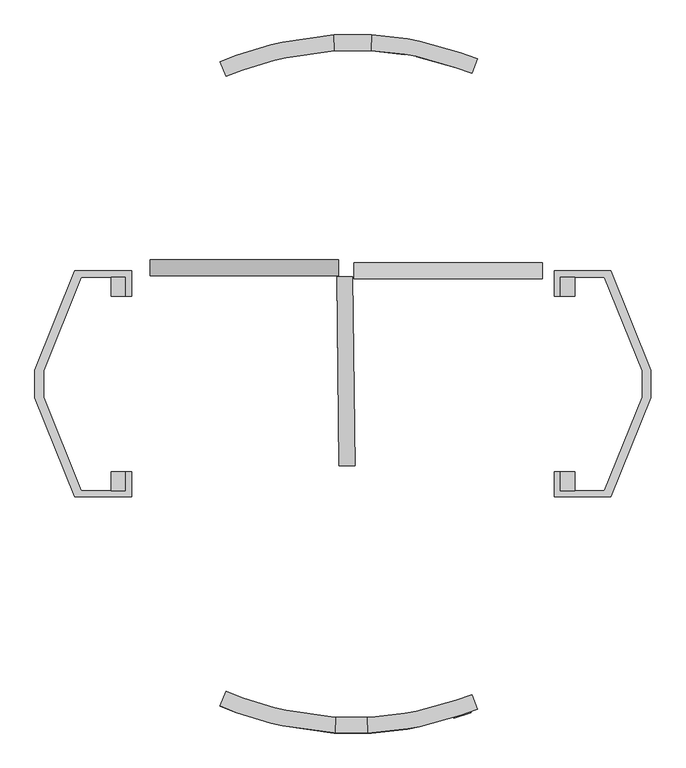
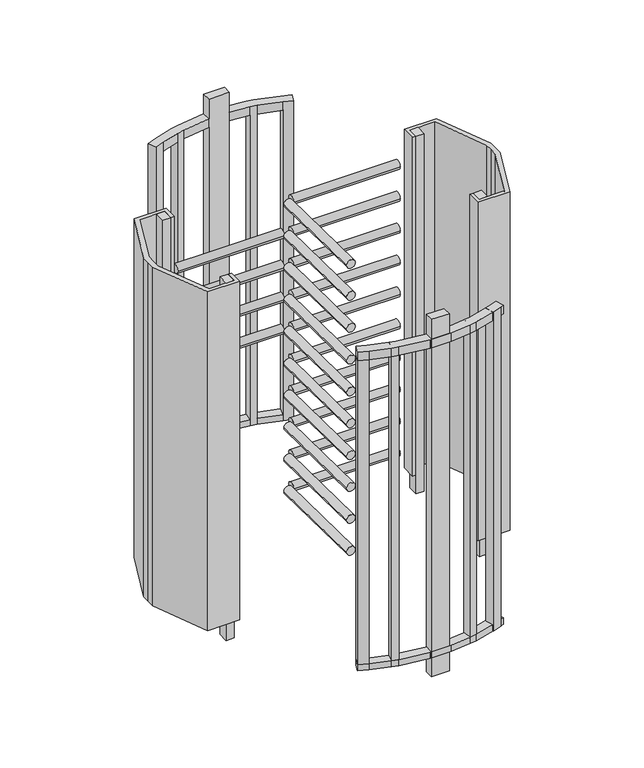
"""IFC4 building model written with IfcOpenShell, lengths in millimetres: proxy geometry."""

from ifc_helpers import new_model, si_unit, point, frame, frame_2d, origin, origin_with_axes, place, context, project, spatial, polyline, circle_curve, trimmed, segment, composite_curve, outline, extrude, faceted_brep, source, transform, mapped, element, save


def generic_models_e2504249(model_context):
    return source(origin(), model_context, "Body", "SolidModel", [
        extrude(outline(composite_curve([segment(trimmed(circle_curve(frame_2d((369.418767, 1174.4880461)), 25.0), [point((344.418767, 1174.4880461))], [point((394.418767, 1174.4880461))], False, "CARTESIAN"), True, "CONTINUOUS"), segment(trimmed(circle_curve(frame_2d((369.418767, 1174.4880461)), 25.0), [point((394.418767, 1174.4880461))], [point((344.418767, 1174.4880461))], False, "CARTESIAN"), True, "CONTINUOUS")], self_intersect=False)), frame((-648.8124932, 0.0, 0.0), z_axis=(1.0, 0.0, 0.0), x_axis=(0.0, 1.0, 0.0)), (0.0, 0.0, 1.0), 600.0),
        extrude(outline(composite_curve([segment(trimmed(circle_curve(frame_2d((369.418767, 1364.4880461)), 25.0), [point((344.418767, 1364.4880461))], [point((394.418767, 1364.4880461))], False, "CARTESIAN"), True, "CONTINUOUS"), segment(trimmed(circle_curve(frame_2d((369.418767, 1364.4880461)), 25.0), [point((394.418767, 1364.4880461))], [point((344.418767, 1364.4880461))], False, "CARTESIAN"), True, "CONTINUOUS")], self_intersect=False)), frame((-648.8124932, 0.0, 0.0), z_axis=(1.0, 0.0, 0.0), x_axis=(0.0, 1.0, 0.0)), (0.0, 0.0, 1.0), 600.0),
        extrude(outline(composite_curve([segment(trimmed(circle_curve(frame_2d((369.418767, 1554.4880461)), 25.0), [point((344.418767, 1554.4880461))], [point((394.418767, 1554.4880461))], False, "CARTESIAN"), True, "CONTINUOUS"), segment(trimmed(circle_curve(frame_2d((369.418767, 1554.4880461)), 25.0), [point((394.418767, 1554.4880461))], [point((344.418767, 1554.4880461))], False, "CARTESIAN"), True, "CONTINUOUS")], self_intersect=False)), frame((-648.8124932, 0.0, 0.0), z_axis=(1.0, 0.0, 0.0), x_axis=(0.0, 1.0, 0.0)), (0.0, 0.0, 1.0), 600.0),
        extrude(outline(composite_curve([segment(trimmed(circle_curve(frame_2d((369.418767, 1744.4880461)), 25.0), [point((344.418767, 1744.4880461))], [point((394.418767, 1744.4880461))], False, "CARTESIAN"), True, "CONTINUOUS"), segment(trimmed(circle_curve(frame_2d((369.418767, 1744.4880461)), 25.0), [point((394.418767, 1744.4880461))], [point((344.418767, 1744.4880461))], False, "CARTESIAN"), True, "CONTINUOUS")], self_intersect=False)), frame((-648.8124932, 0.0, 0.0), z_axis=(1.0, 0.0, 0.0), x_axis=(0.0, 1.0, 0.0)), (0.0, 0.0, 1.0), 600.0),
        extrude(outline(composite_curve([segment(trimmed(circle_curve(frame_2d((0.0, -25.0)), 25.0), [point((0.0, -49.9999999))], [point((0.0, 0.0))], False, "CARTESIAN"), True, "CONTINUOUS"), segment(trimmed(circle_curve(frame_2d((0.0, -25.0)), 25.0), [point((0.0, 0.0))], [point((0.0, -49.9999999))], False, "CARTESIAN"), True, "CONTINUOUS")], self_intersect=False)), frame((-46.5994962, -260.0091674, 224.4880461), z_axis=(-0.012033804423546846, 0.9999275911540274, 0.0), x_axis=(0.0, 0.0, -1.0)), (0.0, 0.0, 1.0), 600.0),
        extrude(outline(composite_curve([segment(trimmed(circle_curve(frame_2d((0.0, -25.0)), 25.0), [point((0.0, -49.9999999))], [point((0.0, 0.0))], False, "CARTESIAN"), True, "CONTINUOUS"), segment(trimmed(circle_curve(frame_2d((0.0, -25.0)), 25.0), [point((0.0, 0.0))], [point((0.0, -49.9999999))], False, "CARTESIAN"), True, "CONTINUOUS")], self_intersect=False)), frame((-46.5994962, -260.0091674, 414.4880461), z_axis=(-0.012033804423546846, 0.9999275911540274, 0.0), x_axis=(0.0, 0.0, -1.0)), (0.0, 0.0, 1.0), 600.0),
        extrude(outline(composite_curve([segment(trimmed(circle_curve(frame_2d((0.0, -25.0)), 25.0), [point((0.0, -49.9999999))], [point((0.0, 0.0))], False, "CARTESIAN"), True, "CONTINUOUS"), segment(trimmed(circle_curve(frame_2d((0.0, -25.0)), 25.0), [point((0.0, 0.0))], [point((0.0, -49.9999999))], False, "CARTESIAN"), True, "CONTINUOUS")], self_intersect=False)), frame((-46.5994962, -260.0091674, 1934.4880461), z_axis=(-0.012033804423546846, 0.9999275911540274, 0.0), x_axis=(0.0, 0.0, -1.0)), (0.0, 0.0, 1.0), 600.0),
        extrude(outline(composite_curve([segment(trimmed(circle_curve(frame_2d((0.0, -25.0)), 25.0), [point((0.0, -49.9999999))], [point((0.0, 0.0))], False, "CARTESIAN"), True, "CONTINUOUS"), segment(trimmed(circle_curve(frame_2d((0.0, -25.0)), 25.0), [point((0.0, 0.0))], [point((0.0, -49.9999999))], False, "CARTESIAN"), True, "CONTINUOUS")], self_intersect=False)), frame((-46.5994962, -260.0091674, 604.4880461), z_axis=(-0.012033804423546846, 0.9999275911540274, 0.0), x_axis=(0.0, 0.0, -1.0)), (0.0, 0.0, 1.0), 600.0),
        extrude(outline(composite_curve([segment(trimmed(circle_curve(frame_2d((0.0, -25.0)), 25.0), [point((0.0, -49.9999999))], [point((0.0, 0.0))], False, "CARTESIAN"), True, "CONTINUOUS"), segment(trimmed(circle_curve(frame_2d((0.0, -25.0)), 25.0), [point((0.0, 0.0))], [point((0.0, -49.9999999))], False, "CARTESIAN"), True, "CONTINUOUS")], self_intersect=False)), frame((-46.5994962, -260.0091674, 794.4880461), z_axis=(-0.012033804423546846, 0.9999275911540274, 0.0), x_axis=(0.0, 0.0, -1.0)), (0.0, 0.0, 1.0), 600.0),
        extrude(outline(composite_curve([segment(trimmed(circle_curve(frame_2d((0.0, -25.0)), 25.0), [point((0.0, -49.9999999))], [point((0.0, 0.0))], False, "CARTESIAN"), True, "CONTINUOUS"), segment(trimmed(circle_curve(frame_2d((0.0, -25.0)), 25.0), [point((0.0, 0.0))], [point((0.0, -49.9999999))], False, "CARTESIAN"), True, "CONTINUOUS")], self_intersect=False)), frame((-46.5994962, -260.0091674, 984.4880461), z_axis=(-0.012033804423546846, 0.9999275911540274, 0.0), x_axis=(0.0, 0.0, -1.0)), (0.0, 0.0, 1.0), 600.0),
        extrude(outline(composite_curve([segment(trimmed(circle_curve(frame_2d((0.0, -25.0)), 25.0), [point((0.0, -49.9999999))], [point((0.0, 0.0))], False, "CARTESIAN"), True, "CONTINUOUS"), segment(trimmed(circle_curve(frame_2d((0.0, -25.0)), 25.0), [point((0.0, 0.0))], [point((0.0, -49.9999999))], False, "CARTESIAN"), True, "CONTINUOUS")], self_intersect=False)), frame((-46.5994962, -260.0091674, 1174.4880461), z_axis=(-0.012033804423546846, 0.9999275911540274, 0.0), x_axis=(0.0, 0.0, -1.0)), (0.0, 0.0, 1.0), 600.0),
        extrude(outline(composite_curve([segment(trimmed(circle_curve(frame_2d((0.0, -25.0)), 25.0), [point((0.0, -49.9999999))], [point((0.0, 0.0))], False, "CARTESIAN"), True, "CONTINUOUS"), segment(trimmed(circle_curve(frame_2d((0.0, -25.0)), 25.0), [point((0.0, 0.0))], [point((0.0, -49.9999999))], False, "CARTESIAN"), True, "CONTINUOUS")], self_intersect=False)), frame((-46.5994962, -260.0091674, 1364.4880461), z_axis=(-0.012033804423546846, 0.9999275911540274, 0.0), x_axis=(0.0, 0.0, -1.0)), (0.0, 0.0, 1.0), 600.0),
        extrude(outline(composite_curve([segment(trimmed(circle_curve(frame_2d((0.0, -25.0)), 25.0), [point((0.0, -49.9999999))], [point((0.0, 0.0))], False, "CARTESIAN"), True, "CONTINUOUS"), segment(trimmed(circle_curve(frame_2d((0.0, -25.0)), 25.0), [point((0.0, 0.0))], [point((0.0, -49.9999999))], False, "CARTESIAN"), True, "CONTINUOUS")], self_intersect=False)), frame((-46.5994962, -260.0091674, 1554.4880461), z_axis=(-0.012033804423546846, 0.9999275911540274, 0.0), x_axis=(0.0, 0.0, -1.0)), (0.0, 0.0, 1.0), 600.0),
        extrude(outline(composite_curve([segment(trimmed(circle_curve(frame_2d((0.0, -25.0)), 25.0), [point((0.0, -49.9999999))], [point((0.0, 0.0))], False, "CARTESIAN"), True, "CONTINUOUS"), segment(trimmed(circle_curve(frame_2d((0.0, -25.0)), 25.0), [point((0.0, 0.0))], [point((0.0, -49.9999999))], False, "CARTESIAN"), True, "CONTINUOUS")], self_intersect=False)), frame((-46.5994962, -260.0091674, 1744.4880461), z_axis=(-0.012033804423546846, 0.9999275911540274, 0.0), x_axis=(0.0, 0.0, -1.0)), (0.0, 0.0, 1.0), 600.0),
        extrude(outline(composite_curve([segment(trimmed(circle_curve(frame_2d((360.0, 224.4880461)), 25.0), [point((385.0, 224.4880461))], [point((335.0, 224.4880461))], False, "CARTESIAN"), True, "CONTINUOUS"), segment(trimmed(circle_curve(frame_2d((360.0, 224.4880461)), 25.0), [point((335.0, 224.4880461))], [point((385.0, 224.4880461))], False, "CARTESIAN"), True, "CONTINUOUS")], self_intersect=False)), frame((0.0, 0.0, 0.0), z_axis=(1.0, 0.0, 0.0), x_axis=(0.0, 1.0, 0.0)), (0.0, 0.0, 1.0), 600.0),
        extrude(outline(composite_curve([segment(trimmed(circle_curve(frame_2d((360.0, 414.4880461)), 25.0), [point((385.0, 414.4880461))], [point((335.0, 414.4880461))], False, "CARTESIAN"), True, "CONTINUOUS"), segment(trimmed(circle_curve(frame_2d((360.0, 414.4880461)), 25.0), [point((335.0, 414.4880461))], [point((385.0, 414.4880461))], False, "CARTESIAN"), True, "CONTINUOUS")], self_intersect=False)), frame((0.0, 0.0, 0.0), z_axis=(1.0, 0.0, 0.0), x_axis=(0.0, 1.0, 0.0)), (0.0, 0.0, 1.0), 600.0),
        extrude(outline(composite_curve([segment(trimmed(circle_curve(frame_2d((360.0, 1934.4880461)), 25.0), [point((385.0, 1934.4880461))], [point((335.0, 1934.4880461))], False, "CARTESIAN"), True, "CONTINUOUS"), segment(trimmed(circle_curve(frame_2d((360.0, 1934.4880461)), 25.0), [point((335.0, 1934.4880461))], [point((385.0, 1934.4880461))], False, "CARTESIAN"), True, "CONTINUOUS")], self_intersect=False)), frame((0.0, 0.0, 0.0), z_axis=(1.0, 0.0, 0.0), x_axis=(0.0, 1.0, 0.0)), (0.0, 0.0, 1.0), 600.0),
        extrude(outline(composite_curve([segment(trimmed(circle_curve(frame_2d((360.0, 604.4880461)), 25.0), [point((385.0, 604.4880461))], [point((335.0, 604.4880461))], False, "CARTESIAN"), True, "CONTINUOUS"), segment(trimmed(circle_curve(frame_2d((360.0, 604.4880461)), 25.0), [point((335.0, 604.4880461))], [point((385.0, 604.4880461))], False, "CARTESIAN"), True, "CONTINUOUS")], self_intersect=False)), frame((0.0, 0.0, 0.0), z_axis=(1.0, 0.0, 0.0), x_axis=(0.0, 1.0, 0.0)), (0.0, 0.0, 1.0), 600.0),
        extrude(outline(composite_curve([segment(trimmed(circle_curve(frame_2d((360.0, 794.4880461)), 25.0), [point((385.0, 794.4880461))], [point((335.0, 794.4880461))], False, "CARTESIAN"), True, "CONTINUOUS"), segment(trimmed(circle_curve(frame_2d((360.0, 794.4880461)), 25.0), [point((335.0, 794.4880461))], [point((385.0, 794.4880461))], False, "CARTESIAN"), True, "CONTINUOUS")], self_intersect=False)), frame((0.0, 0.0, 0.0), z_axis=(1.0, 0.0, 0.0), x_axis=(0.0, 1.0, 0.0)), (0.0, 0.0, 1.0), 600.0),
        extrude(outline(composite_curve([segment(trimmed(circle_curve(frame_2d((360.0, 984.4880461)), 25.0), [point((385.0, 984.4880461))], [point((335.0, 984.4880461))], False, "CARTESIAN"), True, "CONTINUOUS"), segment(trimmed(circle_curve(frame_2d((360.0, 984.4880461)), 25.0), [point((335.0, 984.4880461))], [point((385.0, 984.4880461))], False, "CARTESIAN"), True, "CONTINUOUS")], self_intersect=False)), frame((0.0, 0.0, 0.0), z_axis=(1.0, 0.0, 0.0), x_axis=(0.0, 1.0, 0.0)), (0.0, 0.0, 1.0), 600.0),
        extrude(outline(composite_curve([segment(trimmed(circle_curve(frame_2d((360.0, 1174.4880461)), 25.0), [point((385.0, 1174.4880461))], [point((335.0, 1174.4880461))], False, "CARTESIAN"), True, "CONTINUOUS"), segment(trimmed(circle_curve(frame_2d((360.0, 1174.4880461)), 25.0), [point((335.0, 1174.4880461))], [point((385.0, 1174.4880461))], False, "CARTESIAN"), True, "CONTINUOUS")], self_intersect=False)), frame((0.0, 0.0, 0.0), z_axis=(1.0, 0.0, 0.0), x_axis=(0.0, 1.0, 0.0)), (0.0, 0.0, 1.0), 600.0),
        extrude(outline(composite_curve([segment(trimmed(circle_curve(frame_2d((360.0, 1364.4880461)), 25.0), [point((385.0, 1364.4880461))], [point((335.0, 1364.4880461))], False, "CARTESIAN"), True, "CONTINUOUS"), segment(trimmed(circle_curve(frame_2d((360.0, 1364.4880461)), 25.0), [point((335.0, 1364.4880461))], [point((385.0, 1364.4880461))], False, "CARTESIAN"), True, "CONTINUOUS")], self_intersect=False)), frame((0.0, 0.0, 0.0), z_axis=(1.0, 0.0, 0.0), x_axis=(0.0, 1.0, 0.0)), (0.0, 0.0, 1.0), 600.0),
        extrude(outline(composite_curve([segment(trimmed(circle_curve(frame_2d((360.0, 1554.4880461)), 25.0), [point((385.0, 1554.4880461))], [point((335.0, 1554.4880461))], False, "CARTESIAN"), True, "CONTINUOUS"), segment(trimmed(circle_curve(frame_2d((360.0, 1554.4880461)), 25.0), [point((335.0, 1554.4880461))], [point((385.0, 1554.4880461))], False, "CARTESIAN"), True, "CONTINUOUS")], self_intersect=False)), frame((0.0, 0.0, 0.0), z_axis=(1.0, 0.0, 0.0), x_axis=(0.0, 1.0, 0.0)), (0.0, 0.0, 1.0), 600.0),
        extrude(outline(composite_curve([segment(trimmed(circle_curve(frame_2d((360.0, 1744.4880461)), 25.0), [point((385.0, 1744.4880461))], [point((335.0, 1744.4880461))], False, "CARTESIAN"), True, "CONTINUOUS"), segment(trimmed(circle_curve(frame_2d((360.0, 1744.4880461)), 25.0), [point((335.0, 1744.4880461))], [point((385.0, 1744.4880461))], False, "CARTESIAN"), True, "CONTINUOUS")], self_intersect=False)), frame((0.0, 0.0, 0.0), z_axis=(1.0, 0.0, 0.0), x_axis=(0.0, 1.0, 0.0)), (0.0, 0.0, 1.0), 600.0),
        extrude(outline(polyline([(-372.8019562, -1044.2649567), (-425.8969301, -1023.3502903), (-406.3603736, -977.3250476), (-355.7009491, -997.2803256), (-251.5987714, -1029.1075553), (-216.2281585, -1037.2735048), (-61.2954766, -1059.3664601), (53.7954766, -1059.3664601), (162.6918436, -1047.1958742), (198.4413552, -1040.8922708), (324.0665729, -1004.5569462), (375.7009491, -987.2803256), (392.8019562, -1034.2649567), (338.6851581, -1052.372184), (207.981805, -1089.97363), (170.5135669, -1096.5802912), (55.5404514, -1109.3360015), (-63.0404514, -1109.3360015), (-226.623743, -1086.1808848), (-263.6948662, -1077.6223416), (-372.8019562, -1044.2649567)])), frame((0.0, 0.0, 1962.1602924), z_axis=(0.0, 0.0, 1.0), x_axis=(1.0, 0.0, 0.0)), (0.0, 0.0, 1.0), 51.0599251),
        extrude(outline(polyline([(-372.8019562, -1044.2649567), (-425.8969301, -1023.3502903), (-406.3603736, -977.3250476), (-355.7009491, -997.2803256), (-251.5987714, -1029.1075553), (-216.2281585, -1037.2735048), (-61.2954766, -1059.3664601), (53.7954766, -1059.3664601), (162.6918436, -1047.1958742), (198.4413552, -1040.8922708), (324.0665729, -1004.5569462), (375.7009491, -987.2803256), (392.8019562, -1034.2649567), (338.6851581, -1052.372184), (207.981805, -1089.97363), (170.5135669, -1096.5802912), (55.5404514, -1109.3360015), (-63.0404514, -1109.3360015), (-226.623743, -1086.1808848), (-263.6948662, -1077.6223416), (-372.8019562, -1044.2649567)])), frame((0.0, 0.0, 112.1203859), z_axis=(0.0, 0.0, 1.0), x_axis=(1.0, 0.0, 0.0)), (0.0, 0.0, 1.0), 36.5048128),
        faceted_brep([(-355.7009491, 997.2803256, 148.6251987), (-251.5987714, 1029.1075553, 148.6251987), (-263.6948662, 1077.6223416, 148.6251987), (-372.8019562, 1044.2649567, 148.6251987), (-216.2281585, 1037.2735048, 148.6251987), (-61.2954766, 1059.3664601, 148.6251987), (-63.0404514, 1109.3360015, 148.6251987), (-226.623743, 1086.1808848, 148.6251987), (53.7954766, 1059.3664601, 148.6251987), (162.6918436, 1047.1958742, 148.6251987), (170.5135669, 1096.5802912, 148.6251987), (55.5404514, 1109.3360015, 148.6251987), (198.4413552, 1040.8922708, 148.6251987), (324.0665729, 1004.5569462, 148.6251987), (338.6851581, 1052.372184, 148.6251987), (207.981805, 1089.97363, 148.6251987), (-372.8019562, 1044.2649567, 112.1203859), (-263.6948662, 1077.6223416, 112.1203859), (-226.623743, 1086.1808848, 112.1203859), (-63.0404514, 1109.3360015, 112.1203859), (-61.2954766, 1059.3664601, 112.1203859), (-216.2281585, 1037.2735048, 112.1203859), (-251.5987714, 1029.1075553, 112.1203859), (-355.7009491, 997.2803256, 112.1203859), (-406.3603736, 977.3250476, 112.1203859), (-425.8969301, 1023.3502903, 112.1203859), (55.5404514, 1109.3360015, 112.1203859), (170.5135669, 1096.5802912, 112.1203859), (207.981805, 1089.97363, 112.1203859), (338.6851581, 1052.372184, 112.1203859), (392.8019562, 1034.2649567, 112.1203859), (375.7009491, 987.2803256, 112.1203859), (324.0665729, 1004.5569462, 112.1203859), (198.4413552, 1040.8922708, 112.1203859), (162.6918436, 1047.1958742, 112.1203859), (53.7954766, 1059.3664601, 112.1203859), (-425.8969301, 1023.3502903, 1962.1602924), (-425.8969301, 1023.3502903, 2013.2202175), (-372.8019562, 1044.2649567, 2013.2202175), (-372.8019562, 1044.2649567, 1962.1602924), (-406.3603736, 977.3250476, 1962.1602924), (-406.3603736, 977.3250476, 2013.2202175), (-355.7009491, 997.2803256, 1962.1602924), (-355.7009491, 997.2803256, 2013.2202175), (-216.2281585, 1037.2735048, 1962.1602924), (-216.2281585, 1037.2735048, 2013.2202175), (-251.5987714, 1029.1075553, 2013.2202175), (-251.5987714, 1029.1075553, 1962.1602924), (-61.2954766, 1059.3664601, 0.0), (53.7954766, 1059.3664601, 0.0), (53.7954766, 1059.3664601, 1962.1602924), (53.7954766, 1059.3664601, 2013.2202175), (53.7954766, 1059.3664601, 2131.1831142), (-61.2954766, 1059.3664601, 2131.1831142), (-61.2954766, 1059.3664601, 2013.2202175), (-61.2954766, 1059.3664601, 1962.1602924), (198.4413552, 1040.8922708, 1962.1602924), (198.4413552, 1040.8922708, 2013.2202175), (162.6918436, 1047.1958742, 2013.2202175), (162.6918436, 1047.1958742, 1962.1602924), (375.7009491, 987.2803256, 1962.1602924), (375.7009491, 987.2803256, 2013.2202175), (324.0665729, 1004.5569462, 2013.2202175), (324.0665729, 1004.5569462, 1962.1602924), (392.8019562, 1034.2649567, 1962.1602924), (392.8019562, 1034.2649567, 2013.2202175), (338.6851581, 1052.372184, 1962.1602924), (338.6851581, 1052.372184, 2013.2202175), (170.5135669, 1096.5802912, 1962.1602924), (170.5135669, 1096.5802912, 2013.2202175), (207.981805, 1089.97363, 2013.2202175), (207.981805, 1089.97363, 1962.1602924), (55.5404514, 1109.3360015, 0.0), (-63.0404514, 1109.3360015, 0.0), (-63.0404514, 1109.3360015, 1962.1602924), (-63.0404514, 1109.3360015, 2013.2202175), (-63.0404514, 1109.3360015, 2131.1831142), (55.5404514, 1109.3360015, 2131.1831142), (55.5404514, 1109.3360015, 2013.2202175), (55.5404514, 1109.3360015, 1962.1602924), (-263.6948662, 1077.6223416, 1962.1602924), (-263.6948662, 1077.6223416, 2013.2202175), (-226.623743, 1086.1808848, 2013.2202175), (-226.623743, 1086.1808848, 1962.1602924)], [[[0, 1, 2, 3]], [[4, 5, 6, 7]], [[8, 9, 10, 11]], [[12, 13, 14, 15]], [[16, 17, 18, 19, 20, 21, 22, 23, 24, 25]], [[26, 27, 28, 29, 30, 31, 32, 33, 34, 35]], [[16, 25, 36, 37, 38, 39, 3]], [[25, 24, 40, 41, 37, 36]], [[24, 23, 0, 42, 43, 41, 40]], [[1, 0, 23, 22]], [[22, 21, 4, 44, 45, 46, 47, 1]], [[5, 4, 21, 20]], [[5, 20, 48, 49, 35, 8, 50, 51, 52, 53, 54, 55]], [[9, 8, 35, 34]], [[34, 33, 12, 56, 57, 58, 59, 9]], [[13, 12, 33, 32]], [[32, 31, 60, 61, 62, 63, 13]], [[31, 30, 64, 65, 61, 60]], [[30, 29, 14, 66, 67, 65, 64]], [[15, 14, 29, 28]], [[28, 27, 10, 68, 69, 70, 71, 15]], [[11, 10, 27, 26]], [[11, 26, 72, 73, 19, 6, 74, 75, 76, 77, 78, 79]], [[7, 6, 19, 18]], [[18, 17, 2, 80, 81, 82, 83, 7]], [[3, 2, 17, 16]], [[76, 53, 52, 77]], [[73, 72, 49, 48]], [[6, 5, 55, 74]], [[53, 76, 75, 54]], [[73, 48, 20, 19]], [[8, 11, 79, 50]], [[77, 52, 51, 78]], [[49, 72, 26, 35]], [[37, 41, 43, 46, 45, 54, 75, 82, 81, 38]], [[65, 67, 70, 69, 78, 51, 58, 57, 62, 61]], [[0, 3, 39, 42]], [[2, 1, 47, 80]], [[4, 7, 83, 44]], [[14, 13, 63, 66]], [[10, 9, 59, 68]], [[12, 15, 71, 56]], [[39, 80, 47, 42]], [[83, 74, 55, 44]], [[79, 68, 59, 50]], [[71, 66, 63, 56]], [[46, 43, 42, 47]], [[54, 45, 44, 55]], [[58, 51, 50, 59]], [[62, 57, 56, 63]], [[70, 67, 66, 71]], [[78, 69, 68, 79]], [[82, 75, 74, 83]], [[38, 81, 80, 39]]]),
        faceted_brep([(-58.0404514, -1109.3360015, 2131.1831142), (43.0404514, -1109.3360015, 2131.1831142), (41.2954766, -1059.3664601, 2131.1831142), (-56.2954766, -1059.3664601, 2131.1831142), (-58.0404514, -1109.3360015, 0.0), (-56.2954766, -1059.3664601, 0.0), (41.2954766, -1059.3664601, 0.0), (43.0404514, -1109.3360015, 0.0), (-58.0404514, -1109.3360015, 2013.2202175), (-58.0404514, -1109.3360015, 112.1203859), (43.0404514, -1109.3360015, 112.1203859), (43.0404514, -1109.3360015, 2013.2202175), (41.2954766, -1059.3664601, 112.1203859), (41.2954766, -1059.3664601, 2013.2202175), (-56.2954766, -1059.3664601, 112.1203859), (-56.2954766, -1059.3664601, 2013.2202175)], [[[0, 1, 2, 3]], [[4, 5, 6, 7]], [[1, 0, 8, 9, 4, 7, 10, 11]], [[2, 1, 11, 10, 7, 6, 12, 13]], [[3, 2, 13, 12, 6, 5, 14, 15]], [[0, 3, 15, 14, 5, 4, 9, 8]]]),
        faceted_brep([(-425.8969301, -1023.3502903, 2013.2202175), (-372.8019562, -1044.2649567, 2013.2202175), (-355.7009491, -997.2803256, 2013.2202175), (-406.3603736, -977.3250476, 2013.2202175), (-425.8969301, -1023.3502903, 112.1203859), (-406.3603736, -977.3250476, 112.1203859), (-355.7009491, -997.2803256, 112.1203859), (-372.8019562, -1044.2649567, 112.1203859)], [[[0, 1, 2, 3]], [[4, 5, 6, 7]], [[1, 0, 4, 7]], [[2, 1, 7, 6]], [[3, 2, 6, 5]], [[0, 3, 5, 4]]]),
        faceted_brep([(-263.6948662, -1077.6223416, 2013.2202175), (-226.623743, -1086.1808848, 2013.2202175), (-216.2281585, -1037.2735048, 2013.2202175), (-251.5987714, -1029.1075553, 2013.2202175), (-263.6948662, -1077.6223416, 112.1203859), (-251.5987714, -1029.1075553, 112.1203859), (-216.2281585, -1037.2735048, 112.1203859), (-226.623743, -1086.1808848, 112.1203859)], [[[0, 1, 2, 3]], [[4, 5, 6, 7]], [[1, 0, 4, 7]], [[2, 1, 7, 6]], [[3, 2, 6, 5]], [[0, 3, 5, 4]]]),
        faceted_brep([(372.8019562, -1044.2649567, 2013.2202175), (355.7009491, -997.2803256, 2013.2202175), (304.0665729, -1014.5569462, 2013.2202175), (318.6851581, -1062.372184, 2013.2202175), (372.8019562, -1044.2649567, 112.1203859), (318.6851581, -1062.372184, 112.1203859), (304.0665729, -1014.5569462, 112.1203859), (355.7009491, -997.2803256, 112.1203859)], [[[0, 1, 2, 3]], [[4, 5, 6, 7]], [[1, 0, 4, 7]], [[2, 1, 7, 6]], [[3, 2, 6, 5]], [[0, 3, 5, 4]]]),
        faceted_brep([(207.981805, -1089.97363, 2013.2202175), (198.4413552, -1040.8922708, 2013.2202175), (162.6918436, -1047.1958742, 2013.2202175), (170.5135669, -1096.5802912, 2013.2202175), (207.981805, -1089.97363, 112.1203859), (170.5135669, -1096.5802912, 112.1203859), (162.6918436, -1047.1958742, 112.1203859), (198.4413552, -1040.8922708, 112.1203859)], [[[0, 1, 2, 3]], [[4, 5, 6, 7]], [[1, 0, 4, 7]], [[2, 1, 7, 6]], [[3, 2, 6, 5]], [[0, 3, 5, 4]]]),
        extrude(outline(polyline([(702.2742878, 339.236994), (702.2742878, 279.236994), (657.2742878, 279.236994), (657.2742878, 339.236994), (702.2742878, 339.236994)])), origin_with_axes(), (0.0, 0.0, 1.0), 2131.1831142),
        extrude(outline(polyline([(702.2742878, -279.236994), (702.2742878, -339.236994), (657.2742878, -339.236994), (657.2742878, -279.236994), (702.2742878, -279.236994)])), origin_with_axes(), (0.0, 0.0, 1.0), 2131.1831142),
        extrude(outline(polyline([(-772.2742878, 339.236994), (-727.2742878, 339.236994), (-727.2742878, 279.236994), (-772.2742878, 279.236994), (-772.2742878, 339.236994)])), origin_with_axes(), (0.0, 0.0, 1.0), 2131.1831142),
        extrude(outline(polyline([(-772.2742878, -279.236994), (-727.2742878, -279.236994), (-727.2742878, -339.236994), (-772.2742878, -339.236994), (-772.2742878, -279.236994)])), origin_with_axes(), (0.0, 0.0, 1.0), 2131.1831142),
        extrude(outline(polyline([(-707.2742878, 279.236994), (-727.2742878, 279.236994), (-727.2742878, 339.236994), (-867.2742878, 339.236994), (-987.1483977, 42.5381605), (-987.1483977, 0.0), (-987.1483977, -42.5381605), (-867.2742878, -339.236994), (-727.2742878, -339.236994), (-727.2742878, -279.236994), (-707.2742878, -279.236994), (-707.2742878, -359.236994), (-887.2742878, -359.236994), (-1014.6405295, -43.9944834), (-1014.6405295, 0.0), (-1014.6405295, 43.9944834), (-887.2742878, 359.236994), (-707.2742878, 359.236994), (-707.2742878, 279.236994)])), frame((0.0, 0.0, 112.1203859), z_axis=(0.0, 0.0, 1.0), x_axis=(1.0, 0.0, 0.0)), (0.0, 0.0, 1.0), 2019.0627283),
        extrude(outline(polyline([(637.2742878, 279.236994), (637.2742878, 359.236994), (817.2742878, 359.236994), (944.6405295, 43.9944834), (944.6405295, 0.0), (944.6405295, -43.9944834), (817.2742878, -359.236994), (637.2742878, -359.236994), (637.2742878, -279.236994), (657.2742878, -279.236994), (657.2742878, -339.236994), (797.2742878, -339.236994), (917.1483977, -42.5381605), (917.1483977, 0.0), (917.1483977, 42.5381605), (797.2742878, 339.236994), (657.2742878, 339.236994), (657.2742878, 279.236994), (637.2742878, 279.236994)])), frame((0.0, 0.0, 112.1203859), z_axis=(0.0, 0.0, 1.0), x_axis=(1.0, 0.0, 0.0)), (0.0, 0.0, 1.0), 2019.0627283),
    ])


if __name__ == "__main__":
    model = new_model("IFC4")
    model_context = context("Model", 3, world=origin())
    ifc_project = project(units=[si_unit("LENGTHUNIT", "METRE", prefix="MILLI")], contexts=[model_context])
    site = spatial("IfcSite", under=ifc_project)
    building = spatial("IfcBuilding", under=site)
    placement = place(None, origin())
    generic_models_shape = generic_models_e2504249(model_context)
    element("IfcBuildingElementProxy", 1, Name="Generic Models", at=placement, inside=building, context=model_context, shape_type="MappedRepresentation", body=[
        mapped(generic_models_shape, transform((0.0, 0.0, 0.0), x_axis=(1.0, 0.0, 0.0), y_axis=(0.0, 1.0, 0.0), z_axis=(0.0, 0.0, 1.0))),
    ])
    save(model, "model.ifc")
